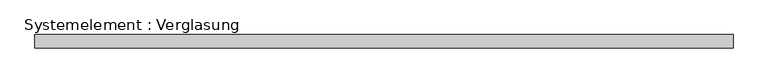
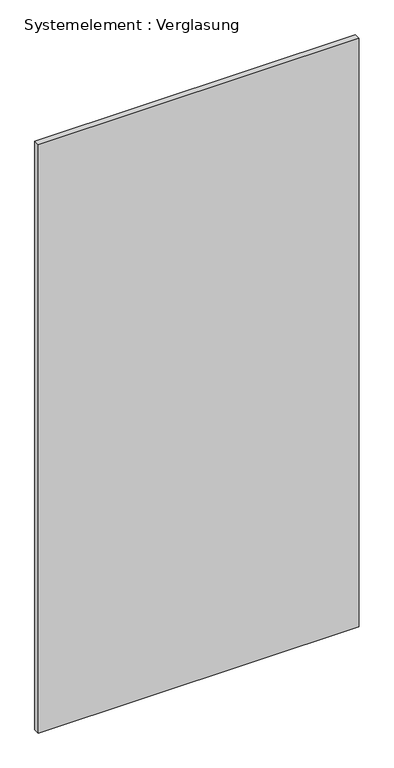
"""IFC4 building model written with IfcOpenShell, lengths in millimetres: plate geometry, Systemelement : Verglasung."""

from ifc_helpers import new_model, si_unit, origin, origin_with_axes, place, context, project, spatial, polyline, outline, extrude, source, transform, mapped, element, save


def systemelement_verglasung_a03b9b02(model_context):
    return source(origin(), model_context, "Body", "SweptSolid", [
        extrude(outline(polyline([(784.5236297, -15.0), (-784.5236297, -15.0), (-784.5236297, 15.0), (784.5236297, 15.0), (784.5236297, -15.0)])), origin_with_axes(), (0.0, 0.0, 1.0), 3040.0),
    ])


if __name__ == "__main__":
    model = new_model("IFC4")
    model_context = context("Model", 3, world=origin())
    ifc_project = project(units=[si_unit("LENGTHUNIT", "METRE", prefix="MILLI")], contexts=[model_context])
    site = spatial("IfcSite", under=ifc_project)
    building = spatial("IfcBuilding", under=site)
    placement = place(None, origin())
    systemelement_verglasung_shape = systemelement_verglasung_a03b9b02(model_context)
    element("IfcPlate", 1, ObjectType="Systemelement : Verglasung", at=placement, inside=building, context=model_context, shape_type="MappedRepresentation", body=[
        mapped(systemelement_verglasung_shape, transform((0.0, 0.0, 0.0), x_axis=(1.0, 0.0, 0.0), y_axis=(0.0, 1.0, 0.0), z_axis=(0.0, 0.0, 1.0))),
    ])
    save(model, "model.ifc")
